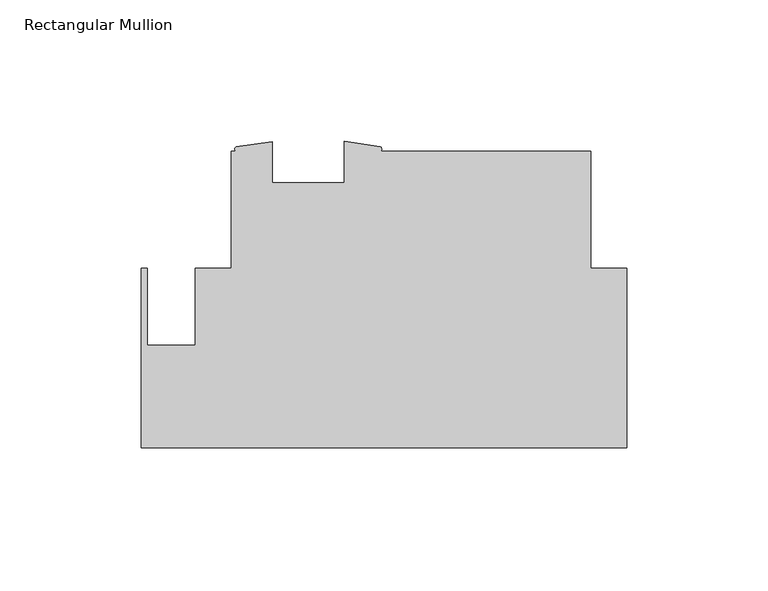
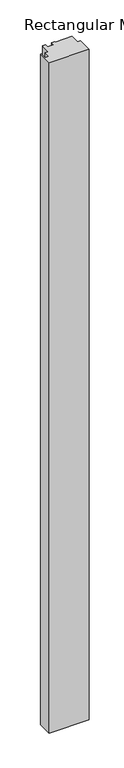
"""IFC4 building model written with IfcOpenShell, lengths in millimetres: member geometry, Rectangular Mullion."""

from ifc_helpers import new_model, si_unit, point, frame, frame_2d, origin, place, context, project, spatial, polyline, circle_curve, trimmed, segment, composite_curve, outline, extrude, source, transform, mapped, element, save


def rectangular_mullion_636b595a(model_context):
    return source(origin(), model_context, "Body", "SweptSolid", [
        extrude(outline(composite_curve([segment(polyline([(0.0, -56.1355451), (-171.4499999, -56.1355451), (-171.4499999, 7.3644546), (-169.4179999, 7.3644546), (-169.4179999, -19.795346), (-152.5173426, -19.795346), (-152.5173426, 7.3644546), (-139.7010309, 7.3644546), (-139.7010309, 48.6394546), (-137.9687934, 48.6394546)]), True, "CONTINUOUS"), segment(trimmed(circle_curve(frame_2d((-137.5512029, 49.4324027)), 0.8961856), [point((-137.9687934, 48.6394546))], [point((-137.9687934, 50.2253509))], False, "CARTESIAN"), True, "CONTINUOUS"), segment(polyline([(-137.9687934, 50.2253509), (-125.1975059, 52.0354546), (-125.1975059, 37.5269546), (-99.7975059, 37.5269546), (-99.7975059, 52.1589763), (-87.0244531, 50.302859)]), True, "CONTINUOUS"), segment(trimmed(circle_curve(frame_2d((-87.5578958, 49.4711568)), 0.9880737), [point((-87.0244531, 50.302859))], [point((-87.0244531, 48.6394546))], False, "CARTESIAN"), True, "CONTINUOUS"), segment(polyline([(-87.0244531, 48.6394546), (-12.7010309, 48.6394546), (-12.7010309, 7.3967206), (0.0, 7.3967206), (0.0, -56.1355451)]), True, "CONTINUOUS")], self_intersect=False)), frame((0.0, 0.0, -3048.0), z_axis=(0.0, 0.0, 1.0), x_axis=(1.0, 0.0, 0.0)), (0.0, 0.0, 1.0), 3048.0),
    ])


if __name__ == "__main__":
    model = new_model("IFC4")
    model_context = context("Model", 3, world=origin())
    ifc_project = project(units=[si_unit("LENGTHUNIT", "METRE", prefix="MILLI")], contexts=[model_context])
    site = spatial("IfcSite", under=ifc_project)
    building = spatial("IfcBuilding", under=site)
    placement = place(None, origin())
    rectangular_mullion_shape = rectangular_mullion_636b595a(model_context)
    element("IfcMember", 1, ObjectType="Rectangular Mullion", at=placement, inside=building, context=model_context, shape_type="MappedRepresentation", body=[
        mapped(rectangular_mullion_shape, transform((0.0, 0.0, 0.0), x_axis=(1.0, 0.0, 0.0), y_axis=(0.0, 1.0, 0.0), z_axis=(0.0, 0.0, 1.0))),
    ])
    save(model, "model.ifc")
